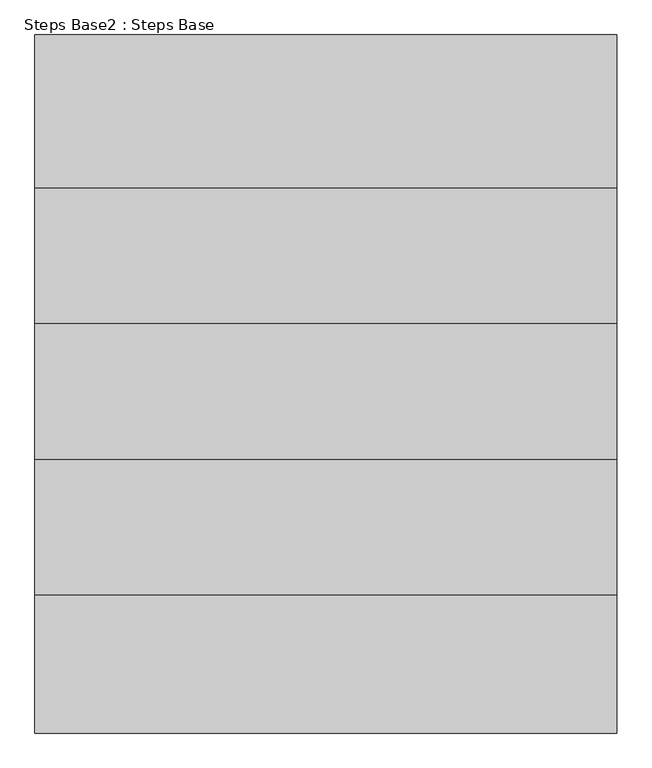
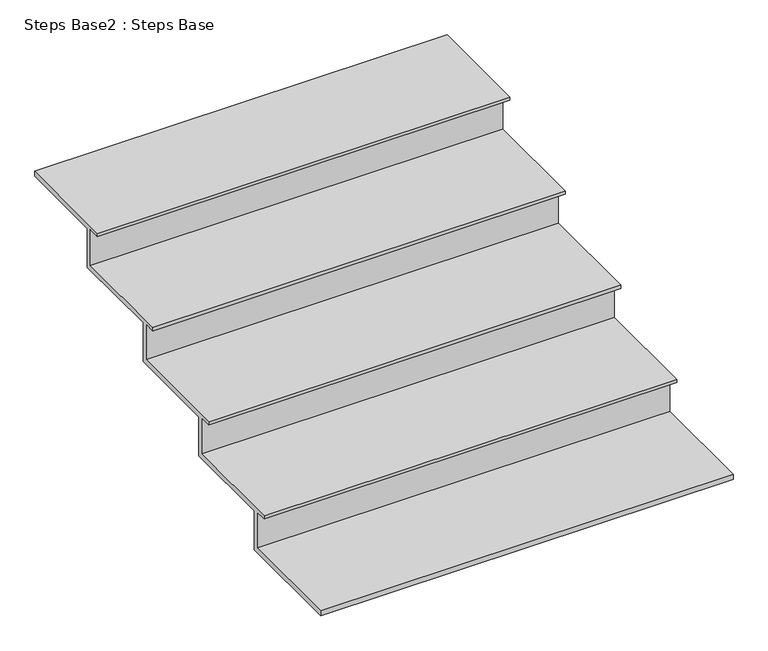
"""IFC4 building model written with IfcOpenShell, lengths in millimetres: stair geometry, Steps Base2 : Steps Base."""

from ifc_helpers import new_model, si_unit, frame, origin, place, context, project, spatial, polyline, outline, extrude, source, transform, mapped, element, save


def steps_base2_steps_base_e77488d2(model_context):
    return source(origin(), model_context, "Body", "SweptSolid", [
        extrude(outline(polyline([(-33393.9944245, 609.6), (-32993.9444245, 609.6), (-32993.9444245, 590.55), (-33330.4944245, 590.55), (-33330.4944245, 438.15), (-33686.0944245, 438.15), (-33686.0944245, 285.75), (-34041.6944245, 285.75), (-34041.6944245, 133.35), (-34397.2944245, 133.35), (-34397.2944245, -19.05), (-34822.7444245, -19.05), (-34822.7444245, 0.0), (-34416.3444245, 0.0), (-34416.3444245, 139.7), (-34460.7944245, 139.7), (-34460.7944245, 152.4), (-34060.7444245, 152.4), (-34060.7444245, 292.1), (-34105.1944245, 292.1), (-34105.1944245, 304.8), (-33705.1444245, 304.8), (-33705.1444245, 444.5), (-33749.5944245, 444.5), (-33749.5944245, 457.2), (-33349.5444245, 457.2), (-33349.5444245, 596.9), (-33393.9944245, 596.9), (-33393.9944245, 609.6)])), frame((3262.360487, 0.0, 0.0), z_axis=(1.0, 0.0, 0.0), x_axis=(0.0, 1.0, 0.0)), (0.0, 0.0, 1.0), 1524.0),
    ])


if __name__ == "__main__":
    model = new_model("IFC4")
    model_context = context("Model", 3, world=origin())
    ifc_project = project(units=[si_unit("LENGTHUNIT", "METRE", prefix="MILLI")], contexts=[model_context])
    site = spatial("IfcSite", under=ifc_project)
    building = spatial("IfcBuilding", under=site)
    placement = place(None, origin())
    steps_base2_steps_base_shape = steps_base2_steps_base_e77488d2(model_context)
    element("IfcStair", 1, ObjectType="Steps Base2 : Steps Base", at=placement, inside=building, context=model_context, shape_type="MappedRepresentation", body=[
        mapped(steps_base2_steps_base_shape, transform((0.0, 0.0, 0.0), x_axis=(1.0, 0.0, 0.0), y_axis=(0.0, 1.0, 0.0), z_axis=(0.0, 0.0, 1.0))),
    ])
    save(model, "model.ifc")
